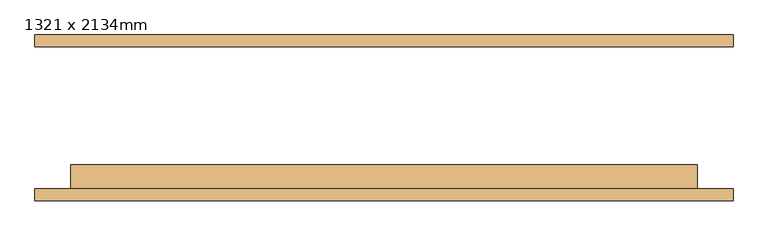
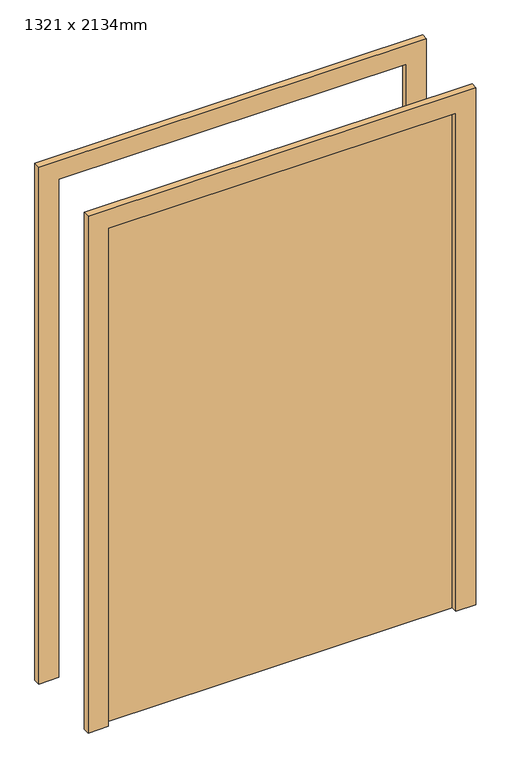
"""IFC4 building model written with IfcOpenShell, lengths in millimetres: door geometry, 1321 x 2134mm."""

import ifcopenshell
import ifcopenshell.guid

model = None  # the IFC model being written
_history = None  # IfcOwnerHistory: only IFC2X3 demands one
_inside = {}  # id of a spatial element -> (the spatial element, [elements in it])
_under = {}  # id of a project, library or spatial element -> (it, [spatial elements below it])
_declared = {}  # id of a project -> (the project, [libraries it declares])
_typed = {}  # id of a type object -> (the type object, [elements of that type])
_made_of = {}  # id of a material, layer set ... -> (it, [elements and type objects made of it])


def new_model(schema):
    """Start an empty IFC model of exactly this schema.

    Asked for "IFC4X3", IfcOpenShell would pick the latest addendum, in which some entities
    have other attributes; the version numbers below select the first issue.
    IFC2X3 requires an IfcOwnerHistory on every rooted entity: one is made here for all.
    """
    global model, _history
    if schema == "IFC4X3":
        model = ifcopenshell.file(schema_version=(4, 3, 0, 0))
    else:
        model = ifcopenshell.file(schema=schema)
    _inside.clear()
    _under.clear()
    _declared.clear()
    _typed.clear()
    _made_of.clear()
    _history = None
    if model.schema == "IFC2X3":
        org = make("IfcOrganization", Name="unknown")
        user = make(
            "IfcPersonAndOrganization",
            ThePerson=make("IfcPerson", FamilyName="unknown"),
            TheOrganization=org,
        )
        app = make(
            "IfcApplication",
            ApplicationDeveloper=org,
            Version="unknown",
            ApplicationFullName="unknown",
            ApplicationIdentifier="unknown",
        )
        _history = make(
            "IfcOwnerHistory",
            OwningUser=user,
            OwningApplication=app,
            ChangeAction="ADDED",
            CreationDate=0,
        )
    return model


def make(cls, **values):
    """One entity of the class cls with the attributes given. An attribute that is None is left unset."""
    return model.create_entity(
        cls, **{name: value for name, value in values.items() if value is not None}
    )


def rooted(cls, **values):
    """An entity with a GlobalId (a new one), such as an element, a storey or a relation."""
    return make(cls, GlobalId=ifcopenshell.guid.new(), OwnerHistory=_history, **values)


def si_unit(unit_type, name, prefix=None):
    """IfcSIUnit, for example si_unit("LENGTHUNIT", "METRE", prefix="MILLI")."""
    return make("IfcSIUnit", UnitType=unit_type, Prefix=prefix, Name=name)


def assignment(units):
    """IfcUnitAssignment: the units of a project."""
    return None if units is None else make("IfcUnitAssignment", Units=units)


def point(xyz):
    """IfcCartesianPoint."""
    return None if xyz is None else make("IfcCartesianPoint", Coordinates=xyz)


def direction(xyz):
    """IfcDirection."""
    return None if xyz is None else make("IfcDirection", DirectionRatios=xyz)


def frame(location, z_axis=None, x_axis=None):
    """IfcAxis2Placement3D, a coordinate frame: its origin and axes. An axis left out is left unset."""
    return make(
        "IfcAxis2Placement3D",
        Location=point(location),
        Axis=direction(z_axis),
        RefDirection=direction(x_axis),
    )


def origin():
    """The frame at (0, 0, 0) with its axes left unset."""
    return frame((0.0, 0.0, 0.0))


def origin_with_axes():
    """The frame at (0, 0, 0) with the z axis (0, 0, 1) and the x axis (1, 0, 0) written out."""
    return frame((0.0, 0.0, 0.0), z_axis=(0.0, 0.0, 1.0), x_axis=(1.0, 0.0, 0.0))


def place(relative_to, where):
    """IfcLocalPlacement: puts the frame where relative to a parent placement (None: the world)."""
    return make(
        "IfcLocalPlacement", PlacementRelTo=relative_to, RelativePlacement=where
    )


def context(
    kind, dimensions, precision=None, world=None, true_north=None, identifier=None
):
    """IfcGeometricRepresentationContext, for example the 3D "Model" context."""
    return make(
        "IfcGeometricRepresentationContext",
        ContextIdentifier=identifier,
        ContextType=kind,
        CoordinateSpaceDimension=dimensions,
        Precision=precision,
        WorldCoordinateSystem=world,
        TrueNorth=true_north,
    )


def project(units=None, contexts=None):
    """IfcProject with its units and contexts."""
    return rooted(
        "IfcProject",
        Name="project",
        RepresentationContexts=contexts,
        UnitsInContext=assignment(units),
    )


def spatial(cls, under=None, at=None, **own):
    """A site, building, storey or space (cls), placed at a placement, below another one or the project."""
    s = rooted(cls, ObjectPlacement=at, **own)
    if under is not None:
        _under.setdefault(under.id(), (under, []))[1].append(s)
    return s


def polyline(points):
    """IfcPolyline through the points."""
    return make("IfcPolyline", Points=[point(p) for p in points])


def outline(outer, holes=None, kind="AREA"):
    """IfcArbitraryClosedProfileDef: a profile drawn as a closed curve; with holes, ...WithVoids."""
    if holes is None:
        return make("IfcArbitraryClosedProfileDef", ProfileType=kind, OuterCurve=outer)
    return make(
        "IfcArbitraryProfileDefWithVoids",
        ProfileType=kind,
        OuterCurve=outer,
        InnerCurves=holes,
    )


def extrude(swept, where, along, depth):
    """IfcExtrudedAreaSolid: the profile swept, set in the frame where, extruded along a direction by depth."""
    return make(
        "IfcExtrudedAreaSolid",
        SweptArea=swept,
        Position=where,
        ExtrudedDirection=direction(along),
        Depth=depth,
    )


def shape(context_of_items, identifier, shape_type, items):
    """IfcShapeRepresentation: the items that make up one representation, for example the "Body"."""
    return make(
        "IfcShapeRepresentation",
        ContextOfItems=context_of_items,
        RepresentationIdentifier=identifier,
        RepresentationType=shape_type,
        Items=items,
    )


def source(mapping_origin, context_of_items, identifier, shape_type, items):
    """IfcRepresentationMap: a shape defined once, which mapped items show again and again."""
    return make(
        "IfcRepresentationMap",
        MappingOrigin=mapping_origin,
        MappedRepresentation=shape(context_of_items, identifier, shape_type, items),
    )


def transform(
    local_origin,
    x_axis=None,
    y_axis=None,
    z_axis=None,
    scale=None,
    scale2=None,
    scale3=None,
    uniform=True,
):
    """IfcCartesianTransformationOperator3D, or its non-uniform kind. x_axis, y_axis, z_axis: its Axis1, 2, 3."""
    if uniform:
        return make(
            "IfcCartesianTransformationOperator3D",
            Axis1=direction(x_axis),
            Axis2=direction(y_axis),
            LocalOrigin=point(local_origin),
            Scale=scale,
            Axis3=direction(z_axis),
        )
    return make(
        "IfcCartesianTransformationOperator3DnonUniform",
        Axis1=direction(x_axis),
        Axis2=direction(y_axis),
        LocalOrigin=point(local_origin),
        Scale=scale,
        Axis3=direction(z_axis),
        Scale2=scale2,
        Scale3=scale3,
    )


def mapped(mapping_source, mapping_target):
    """IfcMappedItem: shows the shape of a source again, moved by a transform."""
    return make(
        "IfcMappedItem", MappingSource=mapping_source, MappingTarget=mapping_target
    )


def made_of(thing, what):
    """Note that an element or type object is made of a material, layer set ...; save() writes the relation."""
    if what is not None:
        _made_of.setdefault(what.id(), (what, []))[1].append(thing)
    return thing


def element(
    cls,
    number,
    at=None,
    inside=None,
    cuts=None,
    type_object=None,
    material=None,
    context=None,
    identifier="Body",
    shape_type=None,
    held_by="IfcProductDefinitionShape",
    body=None,
    shapes=None,
    **own,
):
    """One element of the class cls, such as IfcWall. Its Tag is "e" and its number.

    at: its placement. inside: the storey or other place that contains it. cuts: it is an
    opening in that element (IfcRelVoidsElement). A single representation is given by context,
    identifier, shape_type and body (its items); several are given by shapes. held_by: the class
    of the entity that holds the representations. save() writes the other relations.
    """
    e = rooted(cls, Tag="e%d" % number, ObjectPlacement=at, **own)
    if body is not None:
        shapes = [shape(context, identifier, shape_type, body)]
    if shapes is not None:
        e.Representation = make(held_by, Representations=shapes)
    if inside is not None:
        _inside.setdefault(inside.id(), (inside, []))[1].append(e)
    if cuts is not None:
        rooted(
            "IfcRelVoidsElement", RelatingBuildingElement=cuts, RelatedOpeningElement=e
        )
    if type_object is not None:
        _typed.setdefault(type_object.id(), (type_object, []))[1].append(e)
    return made_of(e, material)


def aggregate(whole, parts):
    """IfcRelAggregates: a whole, such as a stair, and the parts it consists of."""
    return rooted("IfcRelAggregates", RelatingObject=whole, RelatedObjects=parts)


def save(model, path):
    """Write the relations noted so far, then the file.

    IfcRelAggregates (storeys below a building ...), IfcRelContainedInSpatialStructure (elements
    in a storey), IfcRelDefinesByType, IfcRelAssociatesMaterial and IfcRelDeclares: one each for
    every whole, place, type object, material and project.
    """
    for whole, parts in _under.values():
        aggregate(whole, parts)
    for where, things in _inside.values():
        rooted(
            "IfcRelContainedInSpatialStructure",
            RelatedElements=things,
            RelatingStructure=where,
        )
    for kind, things in _typed.values():
        rooted("IfcRelDefinesByType", RelatedObjects=things, RelatingType=kind)
    for what, things in _made_of.values():
        rooted("IfcRelAssociatesMaterial", RelatedObjects=things, RelatingMaterial=what)
    for by, libraries in _declared.values():
        rooted("IfcRelDeclares", RelatingContext=by, RelatedDefinitions=libraries)
    model.write(path)


def door_1321_x_2134mm_aa10f05b(model_context):
    return source(origin(), model_context, "Body", "SweptSolid", [
        extrude(outline(polyline([(102.0, -150.0), (-1219.0, -150.0), (-1219.0, -99.0), (102.0, -99.0), (102.0, -150.0)])), origin_with_axes(), (0.0, 0.0, 1.0), 2000.0),
        extrude(outline(polyline([(2000.0, -1219.0), (2000.0, 102.0), (0.0, 102.0), (0.0, 178.0), (2076.0, 178.0), (2076.0, -1295.0), (0.0, -1295.0), (0.0, -1219.0), (2000.0, -1219.0)])), frame((0.0, 150.0, 0.0), z_axis=(0.0, 1.0, 0.0), x_axis=(0.0, 0.0, 1.0)), (0.0, 0.0, 1.0), 25.0),
        extrude(outline(polyline([(2000.0, -1219.0), (2000.0, 102.0), (0.0, 102.0), (0.0, 178.0), (2076.0, 178.0), (2076.0, -1295.0), (0.0, -1295.0), (0.0, -1219.0), (2000.0, -1219.0)])), frame((0.0, -175.0, 0.0), z_axis=(0.0, 1.0, 0.0), x_axis=(0.0, 0.0, 1.0)), (0.0, 0.0, 1.0), 25.0),
    ])


if __name__ == "__main__":
    model = new_model("IFC4")
    model_context = context("Model", 3, world=origin())
    ifc_project = project(units=[si_unit("LENGTHUNIT", "METRE", prefix="MILLI")], contexts=[model_context])
    site = spatial("IfcSite", under=ifc_project)
    building = spatial("IfcBuilding", under=site)
    placement = place(None, origin())
    door_1321_x_2134mm_shape = door_1321_x_2134mm_aa10f05b(model_context)
    element("IfcDoor", 1, ObjectType="1321 x 2134mm", at=placement, inside=building, context=model_context, shape_type="MappedRepresentation", body=[
        mapped(door_1321_x_2134mm_shape, transform((0.0, 0.0, 0.0), x_axis=(1.0, 0.0, 0.0), y_axis=(0.0, 1.0, 0.0), z_axis=(0.0, 0.0, 1.0))),
    ])
    save(model, "model.ifc")
